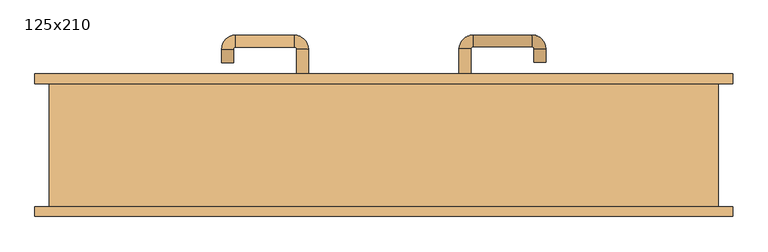
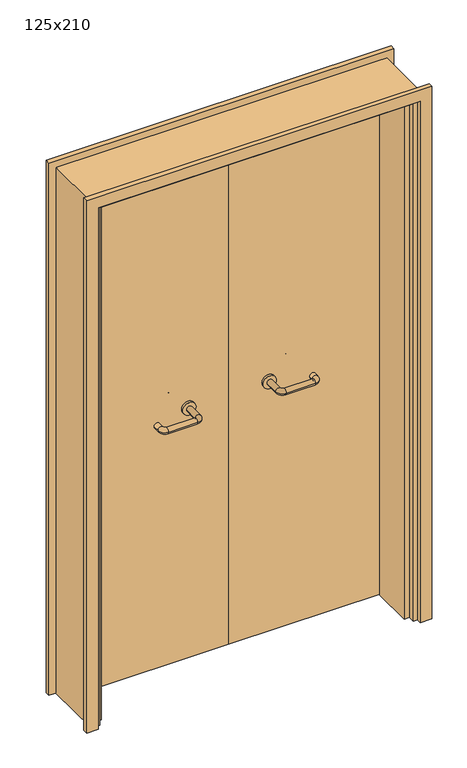
"""IFC4 building model written with IfcOpenShell, lengths in millimetres: door geometry, 125x210."""

from ifc_helpers import new_model, si_unit, point, frame, frame_2d, origin, place, context, project, spatial, polyline, circle_curve, ellipse_curve, trimmed, segment, composite_curve, outline, extrude, faceted_brep, source, transform, mapped, element, save
from ifc_brep_helpers import plane_surface, cylinder_surface, revolved_surface, advanced_brep


def door_125x210_85e9349f(model_context):
    return source(origin(), model_context, "Body", "SolidModel", [
        faceted_brep([(-572.0, 68.0, 0.0), (-572.0, -90.0, 0.0), (-593.0, -90.0, 0.0), (-593.0, 68.0, 0.0), (-572.0, 68.0, 2047.0), (-572.0, -90.0, 2047.0), (-593.0, -90.0, 2068.0), (-593.0, 68.0, 2068.0), (572.0, 68.0, 0.0), (593.0, 68.0, 0.0), (593.0, -90.0, 0.0), (572.0, -90.0, 0.0), (572.0, 68.0, 2047.0), (593.0, 68.0, 2068.0), (593.0, -90.0, 2068.0), (572.0, -90.0, 2047.0)], [[[0, 1, 2, 3]], [[1, 0, 4, 5]], [[2, 1, 5, 6]], [[3, 2, 6, 7]], [[0, 3, 7, 4]], [[8, 9, 10, 11]], [[12, 13, 9, 8]], [[13, 14, 10, 9]], [[14, 15, 11, 10]], [[15, 12, 8, 11]], [[5, 4, 12, 15]], [[6, 5, 15, 14]], [[7, 6, 14, 13]], [[4, 7, 13, 12]]]),
        extrude(outline(polyline([(2127.0, 652.0), (2127.0, -652.0), (0.0, -652.0), (0.0, -608.0), (2083.0, -608.0), (2083.0, 608.0), (0.0, 608.0), (0.0, 652.0), (2127.0, 652.0)])), frame((0.0, 115.0, 0.0), z_axis=(0.0, 1.0, 0.0), x_axis=(0.0, 0.0, 1.0)), (0.0, 0.0, 1.0), 18.0),
        extrude(outline(polyline([(2127.0, -652.0), (0.0, -652.0), (0.0, -608.0), (2083.0, -608.0), (2083.0, 608.0), (0.0, 608.0), (0.0, 652.0), (2127.0, 652.0), (2127.0, -652.0)])), frame((0.0, -133.0, 0.0), z_axis=(0.0, 1.0, 0.0), x_axis=(0.0, 0.0, 1.0)), (0.0, 0.0, 1.0), 18.0),
        extrude(outline(polyline([(2100.0, -625.0), (0.0, -625.0), (0.0, -593.0), (2068.0, -593.0), (2068.0, 593.0), (0.0, 593.0), (0.0, 625.0), (2100.0, 625.0), (2100.0, -625.0)])), frame((0.0, -115.0, 0.0), z_axis=(0.0, 1.0, 0.0), x_axis=(0.0, 0.0, 1.0)), (0.0, 0.0, 1.0), 230.0),
        extrude(outline(polyline([(1.0739506, 71.0), (-590.0, 71.0), (-590.0, 115.0), (1.0739506, 115.0), (1.0739506, 71.0)])), frame((0.0, 0.0, 1.753223), z_axis=(0.0, 0.0, 1.0), x_axis=(1.0, 0.0, 0.0)), (0.0, 0.0, 1.0), 2057.246777),
        extrude(outline(polyline([(590.0, 71.0), (1.0739506, 71.0), (1.0739506, 115.0), (590.0, 115.0), (590.0, 71.0)])), frame((0.0, 0.0, 1.753223), z_axis=(0.0, 0.0, 1.0), x_axis=(1.0, 0.0, 0.0)), (0.0, 0.0, 1.0), 2066.246777),
        extrude(outline(polyline([(2100.0, -625.0), (0.0, -625.0), (0.0, -593.0), (2068.0, -593.0), (2068.0, 593.0), (0.0, 593.0), (0.0, 625.0), (2100.0, 625.0), (2100.0, -625.0)])), frame((0.0, -115.0, 0.0), z_axis=(0.0, 1.0, 0.0), x_axis=(0.0, 0.0, 1.0)), (0.0, 0.0, 1.0), 230.0),
        advanced_brep(
        [(140.99898, 61.0, 1003.0), (162.99898, 61.0, 1003.0), (140.99898, 5.6474631, 1003.0), (162.99898, 5.6474631, 1003.0), (166.99898, 1.6474631, 1003.0), (166.99898, -20.3525369, 1003.0), (276.99898, -20.3525369, 1003.0), (276.99898, 1.6474631, 1003.0), (280.99898, 5.6474631, 1003.0), (302.99898, 5.6474631, 1003.0), (302.99898, 23.0, 1003.0), (280.99898, 23.0, 1003.0)],
        [
            (0, 1, circle_curve(frame((151.99898, 61.0, 1003.0), z_axis=(0.0, 1.0, 0.0), x_axis=(1.0, 0.0, 0.0)), 11.0)),
            (1, 0, circle_curve(frame((151.99898, 61.0, 1003.0), z_axis=(0.0, 1.0, 0.0), x_axis=(1.0, 0.0, 0.0)), 11.0)),
            (0, 2),
            (2, 3, circle_curve(frame((151.99898, 5.6474631, 1003.0), z_axis=(0.0, 1.0, 0.0), x_axis=(1.0, 0.0, 0.0)), 11.0)),
            (3, 1),
            (3, 2, circle_curve(frame((151.99898, 5.6474631, 1003.0), z_axis=(0.0, 1.0, 0.0), x_axis=(1.0, 0.0, 0.0)), 11.0)),
            (4, 3, circle_curve(frame((166.99898, 5.6474631, 1003.0), z_axis=(0.0, 0.0, -1.0), x_axis=(-1.0, 0.0, 0.0)), 4.0)),
            (2, 5, circle_curve(frame((166.99898, 5.6474631, 1003.0), z_axis=(0.0, 0.0, 1.0), x_axis=(-1.0, 0.0, 0.0)), 26.0)),
            (5, 4, circle_curve(frame((166.99898, -9.3525369, 1003.0), z_axis=(-1.0, 0.0, 0.0), x_axis=(0.0, 1.0, 0.0)), 11.0)),
            (4, 5, circle_curve(frame((166.99898, -9.3525369, 1003.0), z_axis=(-1.0, 0.0, 0.0), x_axis=(0.0, 1.0, 0.0)), 11.0)),
            (5, 6),
            (6, 7, circle_curve(frame((276.99898, -9.3525369, 1003.0), z_axis=(-1.0, 0.0, 0.0), x_axis=(0.0, 1.0, 0.0)), 11.0)),
            (7, 4),
            (7, 6, circle_curve(frame((276.99898, -9.3525369, 1003.0), z_axis=(-1.0, 0.0, 0.0), x_axis=(0.0, 1.0, 0.0)), 11.0)),
            (8, 7, circle_curve(frame((276.99898, 5.6474631, 1003.0), z_axis=(0.0, 0.0, -1.0), x_axis=(0.0, -1.0, 0.0)), 4.0)),
            (6, 9, circle_curve(frame((276.99898, 5.6474631, 1003.0), z_axis=(0.0, 0.0, 1.0), x_axis=(0.0, -1.0, 0.0)), 26.0)),
            (9, 8, circle_curve(frame((291.99898, 5.6474631, 1003.0), z_axis=(0.0, -1.0, 0.0), x_axis=(-1.0, 0.0, 0.0)), 11.0)),
            (8, 9, circle_curve(frame((291.99898, 5.6474631, 1003.0), z_axis=(0.0, -1.0, 0.0), x_axis=(-1.0, 0.0, 0.0)), 11.0)),
            (10, 11, circle_curve(frame((291.99898, 23.0, 1003.0), z_axis=(0.0, 1.0, 0.0), x_axis=(-1.0, 0.0, 0.0)), 11.0)),
            (11, 10, circle_curve(frame((291.99898, 23.0, 1003.0), z_axis=(0.0, 1.0, 0.0), x_axis=(-1.0, 0.0, 0.0)), 11.0)),
            (9, 10),
            (11, 8),
        ],
        [
            plane_surface(frame((140.99898, 61.0, 1003.0), z_axis=(0.0, 1.0, 0.0), x_axis=(0.0, 0.0, -1.0))),
            cylinder_surface(frame((151.99898, 61.0, 1003.0), z_axis=(0.0, 1.0, 0.0), x_axis=(1.0, 0.0, 0.0)), 11.0),
            revolved_surface(trimmed(ellipse_curve(frame((151.99898, 5.6474631, 1003.0), z_axis=(0.0, 1.0, 0.0), x_axis=(1.0, 0.0, 0.0)), 11.0, 11.0), [point((140.99898, 5.6474631, 1003.0))], [point((162.99898, 5.6474631, 1003.0))], True, "CARTESIAN"), (166.99898, 5.6474631, 1003.0), (0.0, 0.0, 1.0)),
            revolved_surface(trimmed(ellipse_curve(frame((151.99898, 5.6474631, 1003.0), z_axis=(0.0, 1.0, 0.0), x_axis=(1.0, 0.0, 0.0)), 11.0, 11.0), [point((162.99898, 5.6474631, 1003.0))], [point((140.99898, 5.6474631, 1003.0))], True, "CARTESIAN"), (166.99898, 5.6474631, 1003.0), (0.0, 0.0, 1.0)),
            cylinder_surface(frame((166.99898, -9.3525369, 1003.0), z_axis=(-1.0, 0.0, 0.0), x_axis=(0.0, 1.0, 0.0)), 11.0),
            revolved_surface(trimmed(ellipse_curve(frame((276.99898, -9.3525369, 1003.0), z_axis=(-1.0, 0.0, 0.0), x_axis=(0.0, 1.0, 0.0)), 11.0, 11.0), [point((276.99898, -20.3525369, 1003.0))], [point((276.99898, 1.6474631, 1003.0))], True, "CARTESIAN"), (276.99898, 5.6474631, 1003.0), (0.0, 0.0, 1.0)),
            revolved_surface(trimmed(ellipse_curve(frame((276.99898, -9.3525369, 1003.0), z_axis=(-1.0, 0.0, 0.0), x_axis=(0.0, 1.0, 0.0)), 11.0, 11.0), [point((276.99898, 1.6474631, 1003.0))], [point((276.99898, -20.3525369, 1003.0))], True, "CARTESIAN"), (276.99898, 5.6474631, 1003.0), (0.0, 0.0, 1.0)),
            plane_surface(frame((280.99898, 23.0, 1003.0), z_axis=(0.0, 1.0, 0.0), x_axis=(0.0, 0.0, 1.0))),
            cylinder_surface(frame((291.99898, 5.6474631, 1003.0), z_axis=(0.0, -1.0, 0.0), x_axis=(-1.0, 0.0, 0.0)), 11.0),
        ],
        [
            (0, [[1, 2]]),
            (1, [[-1, 3, 4, 5]]),
            (1, [[-2, -5, 6, -3]]),
            (2, [[7, -4, 8, 9]]),
            (3, [[-8, -6, -7, 10]]),
            (4, [[-9, 11, 12, 13]]),
            (4, [[-10, -13, 14, -11]]),
            (5, [[15, -12, 16, 17]]),
            (6, [[-16, -14, -15, 18]]),
            (7, [[19, 20]]),
            (8, [[-17, 21, -20, 22]]),
            (8, [[-18, -22, -19, -21]]),
        ],
    ),
        extrude(outline(composite_curve([segment(trimmed(circle_curve(frame_2d((1003.0, 151.99898)), 25.0), [point((1003.0, 126.99898))], [point((1003.0, 176.99898))], False, "CARTESIAN"), True, "CONTINUOUS"), segment(trimmed(circle_curve(frame_2d((1003.0, 151.99898)), 25.0), [point((1003.0, 176.99898))], [point((1003.0, 126.99898))], False, "CARTESIAN"), True, "CONTINUOUS")], self_intersect=False)), frame((0.0, 61.0, 0.0), z_axis=(0.0, 1.0, 0.0), x_axis=(0.0, 0.0, 1.0)), (0.0, 0.0, 1.0), 10.0),
        advanced_brep(
        [(162.99898, 125.0, 1003.0), (140.99898, 125.0, 1003.0), (162.99898, 180.0, 1003.0), (140.99898, 180.0, 1003.0), (166.99898, 206.0, 1003.0), (166.99898, 184.0, 1003.0), (276.99898, 184.0, 1003.0), (276.99898, 206.0, 1003.0), (302.99898, 180.0, 1003.0), (280.99898, 180.0, 1003.0), (280.99898, 155.0, 1003.0), (302.99898, 155.0, 1003.0)],
        [
            (0, 1, circle_curve(frame((151.99898, 125.0, 1003.0), z_axis=(0.0, -1.0, 0.0), x_axis=(-1.0, 0.0, 0.0)), 11.0)),
            (1, 0, circle_curve(frame((151.99898, 125.0, 1003.0), z_axis=(0.0, -1.0, 0.0), x_axis=(-1.0, 0.0, 0.0)), 11.0)),
            (0, 2),
            (2, 3, circle_curve(frame((151.99898, 180.0, 1003.0), z_axis=(0.0, -1.0, 0.0), x_axis=(-1.0, 0.0, 0.0)), 11.0)),
            (3, 1),
            (3, 2, circle_curve(frame((151.99898, 180.0, 1003.0), z_axis=(0.0, -1.0, 0.0), x_axis=(-1.0, 0.0, 0.0)), 11.0)),
            (4, 3, circle_curve(frame((166.99898, 180.0, 1003.0), z_axis=(0.0, 0.0, 1.0), x_axis=(-1.0, 0.0, 0.0)), 26.0)),
            (2, 5, circle_curve(frame((166.99898, 180.0, 1003.0), z_axis=(0.0, 0.0, -1.0), x_axis=(-1.0, 0.0, 0.0)), 4.0)),
            (5, 4, circle_curve(frame((166.99898, 195.0, 1003.0), z_axis=(-1.0, 0.0, 0.0), x_axis=(0.0, 1.0, 0.0)), 11.0)),
            (4, 5, circle_curve(frame((166.99898, 195.0, 1003.0), z_axis=(-1.0, 0.0, 0.0), x_axis=(0.0, 1.0, 0.0)), 11.0)),
            (5, 6),
            (6, 7, circle_curve(frame((276.99898, 195.0, 1003.0), z_axis=(-1.0, 0.0, 0.0), x_axis=(0.0, 1.0, 0.0)), 11.0)),
            (7, 4),
            (7, 6, circle_curve(frame((276.99898, 195.0, 1003.0), z_axis=(-1.0, 0.0, 0.0), x_axis=(0.0, 1.0, 0.0)), 11.0)),
            (8, 7, circle_curve(frame((276.99898, 180.0, 1003.0), z_axis=(0.0, 0.0, 1.0), x_axis=(0.0, 1.0, 0.0)), 26.0)),
            (6, 9, circle_curve(frame((276.99898, 180.0, 1003.0), z_axis=(0.0, 0.0, -1.0), x_axis=(0.0, 1.0, 0.0)), 4.0)),
            (9, 8, circle_curve(frame((291.99898, 180.0, 1003.0), z_axis=(0.0, 1.0, 0.0), x_axis=(1.0, 0.0, 0.0)), 11.0)),
            (8, 9, circle_curve(frame((291.99898, 180.0, 1003.0), z_axis=(0.0, 1.0, 0.0), x_axis=(1.0, 0.0, 0.0)), 11.0)),
            (10, 11, circle_curve(frame((291.99898, 155.0, 1003.0), z_axis=(0.0, -1.0, 0.0), x_axis=(1.0, 0.0, 0.0)), 11.0)),
            (11, 10, circle_curve(frame((291.99898, 155.0, 1003.0), z_axis=(0.0, -1.0, 0.0), x_axis=(1.0, 0.0, 0.0)), 11.0)),
            (9, 10),
            (11, 8),
        ],
        [
            plane_surface(frame((140.99898, 125.0, 1003.0), z_axis=(0.0, -1.0, 0.0), x_axis=(0.0, 0.0, 1.0))),
            cylinder_surface(frame((151.99898, 125.0, 1003.0), z_axis=(0.0, -1.0, 0.0), x_axis=(-1.0, 0.0, 0.0)), 11.0),
            revolved_surface(trimmed(ellipse_curve(frame((151.99898, 180.0, 1003.0), z_axis=(0.0, -1.0, 0.0), x_axis=(-1.0, 0.0, 0.0)), 11.0, 11.0), [point((162.99898, 180.0, 1003.0))], [point((140.99898, 180.0, 1003.0))], True, "CARTESIAN"), (166.99898, 180.0, 1003.0), (0.0, 0.0, -1.0)),
            revolved_surface(trimmed(ellipse_curve(frame((151.99898, 180.0, 1003.0), z_axis=(0.0, -1.0, 0.0), x_axis=(-1.0, 0.0, 0.0)), 11.0, 11.0), [point((140.99898, 180.0, 1003.0))], [point((162.99898, 180.0, 1003.0))], True, "CARTESIAN"), (166.99898, 180.0, 1003.0), (0.0, 0.0, -1.0)),
            cylinder_surface(frame((166.99898, 195.0, 1003.0), z_axis=(-1.0, 0.0, 0.0), x_axis=(0.0, 1.0, 0.0)), 11.0),
            revolved_surface(trimmed(ellipse_curve(frame((276.99898, 195.0, 1003.0), z_axis=(-1.0, 0.0, 0.0), x_axis=(0.0, 1.0, 0.0)), 11.0, 11.0), [point((276.99898, 184.0, 1003.0))], [point((276.99898, 206.0, 1003.0))], True, "CARTESIAN"), (276.99898, 180.0, 1003.0), (0.0, 0.0, -1.0)),
            revolved_surface(trimmed(ellipse_curve(frame((276.99898, 195.0, 1003.0), z_axis=(-1.0, 0.0, 0.0), x_axis=(0.0, 1.0, 0.0)), 11.0, 11.0), [point((276.99898, 206.0, 1003.0))], [point((276.99898, 184.0, 1003.0))], True, "CARTESIAN"), (276.99898, 180.0, 1003.0), (0.0, 0.0, -1.0)),
            plane_surface(frame((280.99898, 155.0, 1003.0), z_axis=(0.0, -1.0, 0.0), x_axis=(0.0, 0.0, -1.0))),
            cylinder_surface(frame((291.99898, 180.0, 1003.0), z_axis=(0.0, 1.0, 0.0), x_axis=(1.0, 0.0, 0.0)), 11.0),
        ],
        [
            (0, [[1, 2]]),
            (1, [[-1, 3, 4, 5]]),
            (1, [[-2, -5, 6, -3]]),
            (2, [[7, -4, 8, 9]]),
            (3, [[-8, -6, -7, 10]]),
            (4, [[-9, 11, 12, 13]]),
            (4, [[-10, -13, 14, -11]]),
            (5, [[15, -12, 16, 17]]),
            (6, [[-16, -14, -15, 18]]),
            (7, [[19, 20]]),
            (8, [[-17, 21, -20, 22]]),
            (8, [[-18, -22, -19, -21]]),
        ],
    ),
        extrude(outline(composite_curve([segment(trimmed(circle_curve(frame_2d((1003.0, 151.99898)), 25.0), [point((1003.0, 176.99898))], [point((1003.0, 126.99898))], False, "CARTESIAN"), True, "CONTINUOUS"), segment(trimmed(circle_curve(frame_2d((1003.0, 151.99898)), 25.0), [point((1003.0, 126.99898))], [point((1003.0, 176.99898))], False, "CARTESIAN"), True, "CONTINUOUS")], self_intersect=False)), frame((0.0, 115.0, 0.0), z_axis=(0.0, 1.0, 0.0), x_axis=(0.0, 0.0, 1.0)), (0.0, 0.0, 1.0), 10.0),
        advanced_brep(
        [(-162.99898, 60.6886121, 1003.0), (-140.99898, 60.6886121, 1003.0), (-162.99898, 5.2779553, 1003.0), (-140.99898, 5.2779553, 1003.0), (-166.99898, -20.7220447, 1003.0), (-166.99898, 1.2779553, 1003.0), (-276.99898, 1.2779553, 1003.0), (-276.99898, -20.7220447, 1003.0), (-302.99898, 5.2779553, 1003.0), (-280.99898, 5.2779553, 1003.0), (-280.99898, 30.2779553, 1003.0), (-302.99898, 30.2779553, 1003.0)],
        [
            (0, 1, circle_curve(frame((-151.99898, 60.6886121, 1003.0), z_axis=(0.0, 1.0, 0.0), x_axis=(1.0, 0.0, 0.0)), 11.0)),
            (1, 0, circle_curve(frame((-151.99898, 60.6886121, 1003.0), z_axis=(0.0, 1.0, 0.0), x_axis=(1.0, 0.0, 0.0)), 11.0)),
            (0, 2),
            (2, 3, circle_curve(frame((-151.99898, 5.2779553, 1003.0), z_axis=(0.0, 1.0, 0.0), x_axis=(1.0, 0.0, 0.0)), 11.0)),
            (3, 1),
            (3, 2, circle_curve(frame((-151.99898, 5.2779553, 1003.0), z_axis=(0.0, 1.0, 0.0), x_axis=(1.0, 0.0, 0.0)), 11.0)),
            (4, 3, circle_curve(frame((-166.99898, 5.2779553, 1003.0), z_axis=(0.0, 0.0, 1.0), x_axis=(1.0, 0.0, 0.0)), 26.0)),
            (2, 5, circle_curve(frame((-166.99898, 5.2779553, 1003.0), z_axis=(0.0, 0.0, -1.0), x_axis=(1.0, 0.0, 0.0)), 4.0)),
            (5, 4, circle_curve(frame((-166.99898, -9.7220447, 1003.0), z_axis=(1.0, 0.0, 0.0), x_axis=(0.0, -1.0, 0.0)), 11.0)),
            (4, 5, circle_curve(frame((-166.99898, -9.7220447, 1003.0), z_axis=(1.0, 0.0, 0.0), x_axis=(0.0, -1.0, 0.0)), 11.0)),
            (5, 6),
            (6, 7, circle_curve(frame((-276.99898, -9.7220447, 1003.0), z_axis=(1.0, 0.0, 0.0), x_axis=(0.0, -1.0, 0.0)), 11.0)),
            (7, 4),
            (7, 6, circle_curve(frame((-276.99898, -9.7220447, 1003.0), z_axis=(1.0, 0.0, 0.0), x_axis=(0.0, -1.0, 0.0)), 11.0)),
            (8, 7, circle_curve(frame((-276.99898, 5.2779553, 1003.0), z_axis=(0.0, 0.0, 1.0), x_axis=(0.0, -1.0, 0.0)), 26.0)),
            (6, 9, circle_curve(frame((-276.99898, 5.2779553, 1003.0), z_axis=(0.0, 0.0, -1.0), x_axis=(0.0, -1.0, 0.0)), 4.0)),
            (9, 8, circle_curve(frame((-291.99898, 5.2779553, 1003.0), z_axis=(0.0, -1.0, 0.0), x_axis=(-1.0, 0.0, 0.0)), 11.0)),
            (8, 9, circle_curve(frame((-291.99898, 5.2779553, 1003.0), z_axis=(0.0, -1.0, 0.0), x_axis=(-1.0, 0.0, 0.0)), 11.0)),
            (10, 11, circle_curve(frame((-291.99898, 30.2779553, 1003.0), z_axis=(0.0, 1.0, 0.0), x_axis=(-1.0, 0.0, 0.0)), 11.0)),
            (11, 10, circle_curve(frame((-291.99898, 30.2779553, 1003.0), z_axis=(0.0, 1.0, 0.0), x_axis=(-1.0, 0.0, 0.0)), 11.0)),
            (9, 10),
            (11, 8),
        ],
        [
            plane_surface(frame((-162.99898, 60.6886121, 1003.0), z_axis=(0.0, 1.0, 0.0), x_axis=(0.0, 0.0, -1.0))),
            cylinder_surface(frame((-151.99898, 60.6886121, 1003.0), z_axis=(0.0, 1.0, 0.0), x_axis=(1.0, 0.0, 0.0)), 11.0),
            revolved_surface(trimmed(ellipse_curve(frame((-151.99898, 5.2779553, 1003.0), z_axis=(0.0, 1.0, 0.0), x_axis=(1.0, 0.0, 0.0)), 11.0, 11.0), [point((-162.99898, 5.2779553, 1003.0))], [point((-140.99898, 5.2779553, 1003.0))], True, "CARTESIAN"), (-166.99898, 5.2779553, 1003.0), (0.0, 0.0, -1.0)),
            revolved_surface(trimmed(ellipse_curve(frame((-151.99898, 5.2779553, 1003.0), z_axis=(0.0, 1.0, 0.0), x_axis=(1.0, 0.0, 0.0)), 11.0, 11.0), [point((-140.99898, 5.2779553, 1003.0))], [point((-162.99898, 5.2779553, 1003.0))], True, "CARTESIAN"), (-166.99898, 5.2779553, 1003.0), (0.0, 0.0, -1.0)),
            cylinder_surface(frame((-166.99898, -9.7220447, 1003.0), z_axis=(1.0, 0.0, 0.0), x_axis=(0.0, -1.0, 0.0)), 11.0),
            revolved_surface(trimmed(ellipse_curve(frame((-276.99898, -9.7220447, 1003.0), z_axis=(1.0, 0.0, 0.0), x_axis=(0.0, -1.0, 0.0)), 11.0, 11.0), [point((-276.99898, 1.2779553, 1003.0))], [point((-276.99898, -20.7220447, 1003.0))], True, "CARTESIAN"), (-276.99898, 5.2779553, 1003.0), (0.0, 0.0, -1.0)),
            revolved_surface(trimmed(ellipse_curve(frame((-276.99898, -9.7220447, 1003.0), z_axis=(1.0, 0.0, 0.0), x_axis=(0.0, -1.0, 0.0)), 11.0, 11.0), [point((-276.99898, -20.7220447, 1003.0))], [point((-276.99898, 1.2779553, 1003.0))], True, "CARTESIAN"), (-276.99898, 5.2779553, 1003.0), (0.0, 0.0, -1.0)),
            plane_surface(frame((-302.99898, 30.2779553, 1003.0), z_axis=(0.0, 1.0, 0.0), x_axis=(0.0, 0.0, 1.0))),
            cylinder_surface(frame((-291.99898, 5.2779553, 1003.0), z_axis=(0.0, -1.0, 0.0), x_axis=(-1.0, 0.0, 0.0)), 11.0),
        ],
        [
            (0, [[1, 2]]),
            (1, [[-1, 3, 4, 5]]),
            (1, [[-2, -5, 6, -3]]),
            (2, [[7, -4, 8, 9]]),
            (3, [[-8, -6, -7, 10]]),
            (4, [[-9, 11, 12, 13]]),
            (4, [[-10, -13, 14, -11]]),
            (5, [[15, -12, 16, 17]]),
            (6, [[-16, -14, -15, 18]]),
            (7, [[19, 20]]),
            (8, [[-17, 21, -20, 22]]),
            (8, [[-18, -22, -19, -21]]),
        ],
    ),
        extrude(outline(composite_curve([segment(trimmed(circle_curve(frame_2d((1003.0, -151.99898)), 25.0), [point((1003.0, -176.99898))], [point((1003.0, -126.99898))], False, "CARTESIAN"), True, "CONTINUOUS"), segment(trimmed(circle_curve(frame_2d((1003.0, -151.99898)), 25.0), [point((1003.0, -126.99898))], [point((1003.0, -176.99898))], False, "CARTESIAN"), True, "CONTINUOUS")], self_intersect=False)), frame((0.0, 60.6886121, 0.0), z_axis=(0.0, 1.0, 0.0), x_axis=(0.0, 0.0, 1.0)), (0.0, 0.0, 1.0), 10.3113879),
        advanced_brep(
        [(-140.99898, 124.5143417, 1003.0), (-162.99898, 124.5143417, 1003.0), (-140.99898, 179.6104656, 1003.0), (-162.99898, 179.6104656, 1003.0), (-166.99898, 183.6104656, 1003.0), (-166.99898, 205.6104656, 1003.0), (-276.99898, 205.6104656, 1003.0), (-276.99898, 183.6104656, 1003.0), (-280.99898, 179.6104656, 1003.0), (-302.99898, 179.6104656, 1003.0), (-302.99898, 154.6104656, 1003.0), (-280.99898, 154.6104656, 1003.0)],
        [
            (0, 1, circle_curve(frame((-151.99898, 124.5143417, 1003.0), z_axis=(0.0, -1.0, 0.0), x_axis=(-1.0, 0.0, 0.0)), 11.0)),
            (1, 0, circle_curve(frame((-151.99898, 124.5143417, 1003.0), z_axis=(0.0, -1.0, 0.0), x_axis=(-1.0, 0.0, 0.0)), 11.0)),
            (0, 2),
            (2, 3, circle_curve(frame((-151.99898, 179.6104656, 1003.0), z_axis=(0.0, -1.0, 0.0), x_axis=(-1.0, 0.0, 0.0)), 11.0)),
            (3, 1),
            (3, 2, circle_curve(frame((-151.99898, 179.6104656, 1003.0), z_axis=(0.0, -1.0, 0.0), x_axis=(-1.0, 0.0, 0.0)), 11.0)),
            (4, 3, circle_curve(frame((-166.99898, 179.6104656, 1003.0), z_axis=(0.0, 0.0, -1.0), x_axis=(1.0, 0.0, 0.0)), 4.0)),
            (2, 5, circle_curve(frame((-166.99898, 179.6104656, 1003.0), z_axis=(0.0, 0.0, 1.0), x_axis=(1.0, 0.0, 0.0)), 26.0)),
            (5, 4, circle_curve(frame((-166.99898, 194.6104656, 1003.0), z_axis=(1.0, 0.0, 0.0), x_axis=(0.0, -1.0, 0.0)), 11.0)),
            (4, 5, circle_curve(frame((-166.99898, 194.6104656, 1003.0), z_axis=(1.0, 0.0, 0.0), x_axis=(0.0, -1.0, 0.0)), 11.0)),
            (5, 6),
            (6, 7, circle_curve(frame((-276.99898, 194.6104656, 1003.0), z_axis=(1.0, 0.0, 0.0), x_axis=(0.0, -1.0, 0.0)), 11.0)),
            (7, 4),
            (7, 6, circle_curve(frame((-276.99898, 194.6104656, 1003.0), z_axis=(1.0, 0.0, 0.0), x_axis=(0.0, -1.0, 0.0)), 11.0)),
            (8, 7, circle_curve(frame((-276.99898, 179.6104656, 1003.0), z_axis=(0.0, 0.0, -1.0), x_axis=(0.0, 1.0, 0.0)), 4.0)),
            (6, 9, circle_curve(frame((-276.99898, 179.6104656, 1003.0), z_axis=(0.0, 0.0, 1.0), x_axis=(0.0, 1.0, 0.0)), 26.0)),
            (9, 8, circle_curve(frame((-291.99898, 179.6104656, 1003.0), z_axis=(0.0, 1.0, 0.0), x_axis=(1.0, 0.0, 0.0)), 11.0)),
            (8, 9, circle_curve(frame((-291.99898, 179.6104656, 1003.0), z_axis=(0.0, 1.0, 0.0), x_axis=(1.0, 0.0, 0.0)), 11.0)),
            (10, 11, circle_curve(frame((-291.99898, 154.6104656, 1003.0), z_axis=(0.0, -1.0, 0.0), x_axis=(1.0, 0.0, 0.0)), 11.0)),
            (11, 10, circle_curve(frame((-291.99898, 154.6104656, 1003.0), z_axis=(0.0, -1.0, 0.0), x_axis=(1.0, 0.0, 0.0)), 11.0)),
            (9, 10),
            (11, 8),
        ],
        [
            plane_surface(frame((-162.99898, 124.5143417, 1003.0), z_axis=(0.0, -1.0, 0.0), x_axis=(0.0, 0.0, 1.0))),
            cylinder_surface(frame((-151.99898, 124.5143417, 1003.0), z_axis=(0.0, -1.0, 0.0), x_axis=(-1.0, 0.0, 0.0)), 11.0),
            revolved_surface(trimmed(ellipse_curve(frame((-151.99898, 179.6104656, 1003.0), z_axis=(0.0, -1.0, 0.0), x_axis=(-1.0, 0.0, 0.0)), 11.0, 11.0), [point((-140.99898, 179.6104656, 1003.0))], [point((-162.99898, 179.6104656, 1003.0))], True, "CARTESIAN"), (-166.99898, 179.6104656, 1003.0), (0.0, 0.0, 1.0)),
            revolved_surface(trimmed(ellipse_curve(frame((-151.99898, 179.6104656, 1003.0), z_axis=(0.0, -1.0, 0.0), x_axis=(-1.0, 0.0, 0.0)), 11.0, 11.0), [point((-162.99898, 179.6104656, 1003.0))], [point((-140.99898, 179.6104656, 1003.0))], True, "CARTESIAN"), (-166.99898, 179.6104656, 1003.0), (0.0, 0.0, 1.0)),
            cylinder_surface(frame((-166.99898, 194.6104656, 1003.0), z_axis=(1.0, 0.0, 0.0), x_axis=(0.0, -1.0, 0.0)), 11.0),
            revolved_surface(trimmed(ellipse_curve(frame((-276.99898, 194.6104656, 1003.0), z_axis=(1.0, 0.0, 0.0), x_axis=(0.0, -1.0, 0.0)), 11.0, 11.0), [point((-276.99898, 205.6104656, 1003.0))], [point((-276.99898, 183.6104656, 1003.0))], True, "CARTESIAN"), (-276.99898, 179.6104656, 1003.0), (0.0, 0.0, 1.0)),
            revolved_surface(trimmed(ellipse_curve(frame((-276.99898, 194.6104656, 1003.0), z_axis=(1.0, 0.0, 0.0), x_axis=(0.0, -1.0, 0.0)), 11.0, 11.0), [point((-276.99898, 183.6104656, 1003.0))], [point((-276.99898, 205.6104656, 1003.0))], True, "CARTESIAN"), (-276.99898, 179.6104656, 1003.0), (0.0, 0.0, 1.0)),
            plane_surface(frame((-302.99898, 154.6104656, 1003.0), z_axis=(0.0, -1.0, 0.0), x_axis=(0.0, 0.0, -1.0))),
            cylinder_surface(frame((-291.99898, 179.6104656, 1003.0), z_axis=(0.0, 1.0, 0.0), x_axis=(1.0, 0.0, 0.0)), 11.0),
        ],
        [
            (0, [[1, 2]]),
            (1, [[-1, 3, 4, 5]]),
            (1, [[-2, -5, 6, -3]]),
            (2, [[7, -4, 8, 9]]),
            (3, [[-8, -6, -7, 10]]),
            (4, [[-9, 11, 12, 13]]),
            (4, [[-10, -13, 14, -11]]),
            (5, [[15, -12, 16, 17]]),
            (6, [[-16, -14, -15, 18]]),
            (7, [[19, 20]]),
            (8, [[-17, 21, -20, 22]]),
            (8, [[-18, -22, -19, -21]]),
        ],
    ),
        extrude(outline(composite_curve([segment(trimmed(circle_curve(frame_2d((1003.0, -151.99898)), 25.0), [point((1003.0, -126.99898))], [point((1003.0, -176.99898))], False, "CARTESIAN"), True, "CONTINUOUS"), segment(trimmed(circle_curve(frame_2d((1003.0, -151.99898)), 25.0), [point((1003.0, -176.99898))], [point((1003.0, -126.99898))], False, "CARTESIAN"), True, "CONTINUOUS")], self_intersect=False)), frame((0.0, 115.0, 0.0), z_axis=(0.0, 1.0, 0.0), x_axis=(0.0, 0.0, 1.0)), (0.0, 0.0, 1.0), 9.5143417),
    ])


if __name__ == "__main__":
    model = new_model("IFC4")
    model_context = context("Model", 3, world=origin())
    ifc_project = project(units=[si_unit("LENGTHUNIT", "METRE", prefix="MILLI")], contexts=[model_context])
    site = spatial("IfcSite", under=ifc_project)
    building = spatial("IfcBuilding", under=site)
    placement = place(None, origin())
    door_125x210_shape = door_125x210_85e9349f(model_context)
    element("IfcDoor", 1, ObjectType="125x210", at=placement, inside=building, context=model_context, shape_type="MappedRepresentation", body=[
        mapped(door_125x210_shape, transform((0.0, 0.0, 0.0), x_axis=(1.0, 0.0, 0.0), y_axis=(0.0, 1.0, 0.0), z_axis=(0.0, 0.0, 1.0))),
    ])
    save(model, "model.ifc")
